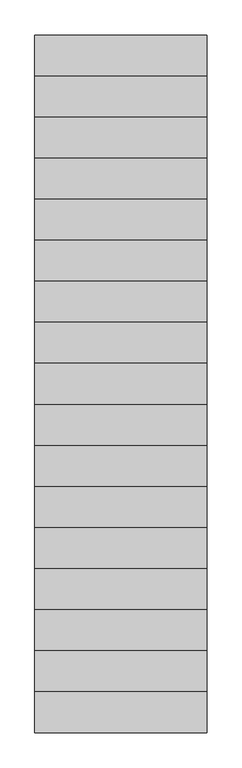
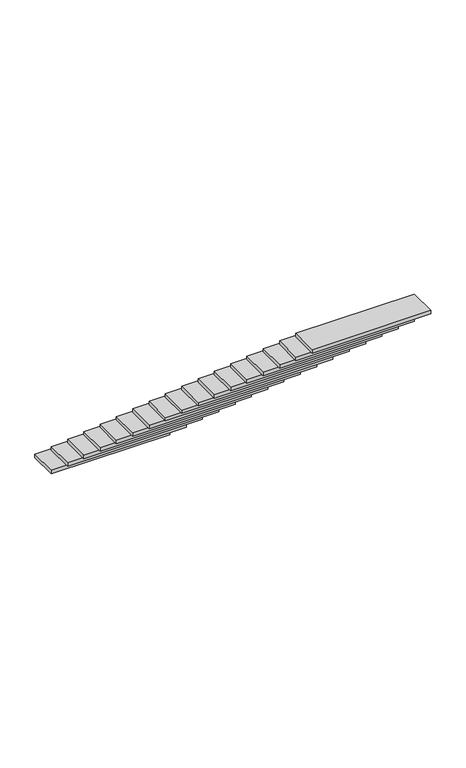
"""IFC4 building model written with IfcOpenShell, lengths in millimetres: stair flight geometry."""

from ifc_helpers import new_model, si_unit, frame, origin, place, context, project, spatial, polyline, outline, extrude, source, transform, mapped, element, save


def stair_flight_92a90b22(model_context):
    return source(origin(), model_context, "Body", "SweptSolid", [
        extrude(outline(polyline([(28729.9990554, 9391.9367173), (27729.9990554, 9391.9367173), (27729.9990554, 9630.1367173), (28729.9990554, 9630.1367173), (28729.9990554, 9391.9367173)])), frame((0.0, 0.0, 131.7647059), z_axis=(0.0, 0.0, 1.0), x_axis=(1.0, 0.0, 0.0)), (0.0, 0.0, 1.0), 30.0),
        extrude(outline(polyline([(28729.9990554, 9153.7367173), (27729.9990554, 9153.7367173), (27729.9990554, 9391.9367173), (28729.9990554, 9391.9367173), (28729.9990554, 9153.7367173)])), frame((0.0, 0.0, 343.5294118), z_axis=(0.0, 0.0, 1.0), x_axis=(1.0, 0.0, 0.0)), (0.0, 0.0, 1.0), 30.0),
        extrude(outline(polyline([(28729.9990554, 8915.5367173), (27729.9990554, 8915.5367173), (27729.9990554, 9153.7367173), (28729.9990554, 9153.7367173), (28729.9990554, 8915.5367173)])), frame((0.0, 0.0, 555.2941176), z_axis=(0.0, 0.0, 1.0), x_axis=(1.0, 0.0, 0.0)), (0.0, 0.0, 1.0), 30.0),
        extrude(outline(polyline([(28729.9990554, 8677.3367173), (27729.9990554, 8677.3367173), (27729.9990554, 8915.5367173), (28729.9990554, 8915.5367173), (28729.9990554, 8677.3367173)])), frame((0.0, 0.0, 767.0588235), z_axis=(0.0, 0.0, 1.0), x_axis=(1.0, 0.0, 0.0)), (0.0, 0.0, 1.0), 30.0),
        extrude(outline(polyline([(28729.9990554, 8439.1367173), (27729.9990554, 8439.1367173), (27729.9990554, 8677.3367173), (28729.9990554, 8677.3367173), (28729.9990554, 8439.1367173)])), frame((0.0, 0.0, 978.8235294), z_axis=(0.0, 0.0, 1.0), x_axis=(1.0, 0.0, 0.0)), (0.0, 0.0, 1.0), 30.0),
        extrude(outline(polyline([(28729.9990554, 8200.9367173), (27729.9990554, 8200.9367173), (27729.9990554, 8439.1367173), (28729.9990554, 8439.1367173), (28729.9990554, 8200.9367173)])), frame((0.0, 0.0, 1190.5882353), z_axis=(0.0, 0.0, 1.0), x_axis=(1.0, 0.0, 0.0)), (0.0, 0.0, 1.0), 30.0),
        extrude(outline(polyline([(28729.9990554, 7962.7367173), (27729.9990554, 7962.7367173), (27729.9990554, 8200.9367173), (28729.9990554, 8200.9367173), (28729.9990554, 7962.7367173)])), frame((0.0, 0.0, 1402.3529412), z_axis=(0.0, 0.0, 1.0), x_axis=(1.0, 0.0, 0.0)), (0.0, 0.0, 1.0), 30.0),
        extrude(outline(polyline([(28729.9990554, 7724.5367173), (27729.9990554, 7724.5367173), (27729.9990554, 7962.7367173), (28729.9990554, 7962.7367173), (28729.9990554, 7724.5367173)])), frame((0.0, 0.0, 1614.1176471), z_axis=(0.0, 0.0, 1.0), x_axis=(1.0, 0.0, 0.0)), (0.0, 0.0, 1.0), 30.0),
        extrude(outline(polyline([(28729.9990554, 7486.3367173), (27729.9990554, 7486.3367173), (27729.9990554, 7724.5367173), (28729.9990554, 7724.5367173), (28729.9990554, 7486.3367173)])), frame((0.0, 0.0, 1825.8823529), z_axis=(0.0, 0.0, 1.0), x_axis=(1.0, 0.0, 0.0)), (0.0, 0.0, 1.0), 30.0),
        extrude(outline(polyline([(28729.9990554, 7248.1367173), (27729.9990554, 7248.1367173), (27729.9990554, 7486.3367173), (28729.9990554, 7486.3367173), (28729.9990554, 7248.1367173)])), frame((0.0, 0.0, 2037.6470588), z_axis=(0.0, 0.0, 1.0), x_axis=(1.0, 0.0, 0.0)), (0.0, 0.0, 1.0), 30.0),
        extrude(outline(polyline([(28729.9990554, 7009.9367173), (27729.9990554, 7009.9367173), (27729.9990554, 7248.1367173), (28729.9990554, 7248.1367173), (28729.9990554, 7009.9367173)])), frame((0.0, 0.0, 2249.4117647), z_axis=(0.0, 0.0, 1.0), x_axis=(1.0, 0.0, 0.0)), (0.0, 0.0, 1.0), 30.0),
        extrude(outline(polyline([(28729.9990554, 6771.7367173), (27729.9990554, 6771.7367173), (27729.9990554, 7009.9367173), (28729.9990554, 7009.9367173), (28729.9990554, 6771.7367173)])), frame((0.0, 0.0, 2461.1764706), z_axis=(0.0, 0.0, 1.0), x_axis=(1.0, 0.0, 0.0)), (0.0, 0.0, 1.0), 30.0),
        extrude(outline(polyline([(28729.9990554, 6533.5367173), (27729.9990554, 6533.5367173), (27729.9990554, 6771.7367173), (28729.9990554, 6771.7367173), (28729.9990554, 6533.5367173)])), frame((0.0, 0.0, 2672.9411765), z_axis=(0.0, 0.0, 1.0), x_axis=(1.0, 0.0, 0.0)), (0.0, 0.0, 1.0), 30.0),
        extrude(outline(polyline([(28729.9990554, 6295.3367173), (27729.9990554, 6295.3367173), (27729.9990554, 6533.5367173), (28729.9990554, 6533.5367173), (28729.9990554, 6295.3367173)])), frame((0.0, 0.0, 2884.7058824), z_axis=(0.0, 0.0, 1.0), x_axis=(1.0, 0.0, 0.0)), (0.0, 0.0, 1.0), 30.0),
        extrude(outline(polyline([(28729.9990554, 6057.1367173), (27729.9990554, 6057.1367173), (27729.9990554, 6295.3367173), (28729.9990554, 6295.3367173), (28729.9990554, 6057.1367173)])), frame((0.0, 0.0, 3096.4705882), z_axis=(0.0, 0.0, 1.0), x_axis=(1.0, 0.0, 0.0)), (0.0, 0.0, 1.0), 30.0),
        extrude(outline(polyline([(28729.9990554, 5818.9367173), (27729.9990554, 5818.9367173), (27729.9990554, 6057.1367173), (28729.9990554, 6057.1367173), (28729.9990554, 5818.9367173)])), frame((0.0, 0.0, 3308.2352941), z_axis=(0.0, 0.0, 1.0), x_axis=(1.0, 0.0, 0.0)), (0.0, 0.0, 1.0), 30.0),
        extrude(outline(polyline([(28729.9990554, 5580.7367173), (27729.9990554, 5580.7367173), (27729.9990554, 5818.9367173), (28729.9990554, 5818.9367173), (28729.9990554, 5580.7367173)])), frame((0.0, 0.0, 3520.0), z_axis=(0.0, 0.0, 1.0), x_axis=(1.0, 0.0, 0.0)), (0.0, 0.0, 1.0), 30.0),
    ])


if __name__ == "__main__":
    model = new_model("IFC4")
    model_context = context("Model", 3, world=origin())
    ifc_project = project(units=[si_unit("LENGTHUNIT", "METRE", prefix="MILLI")], contexts=[model_context])
    site = spatial("IfcSite", under=ifc_project)
    building = spatial("IfcBuilding", under=site)
    placement = place(None, origin())
    stair_flight_shape = stair_flight_92a90b22(model_context)
    element("IfcStairFlight", 1, at=placement, inside=building, context=model_context, shape_type="MappedRepresentation", body=[
        mapped(stair_flight_shape, transform((0.0, 0.0, 0.0), x_axis=(1.0, 0.0, 0.0), y_axis=(0.0, 1.0, 0.0), z_axis=(0.0, 0.0, 1.0))),
    ])
    save(model, "model.ifc")
